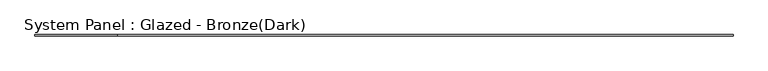
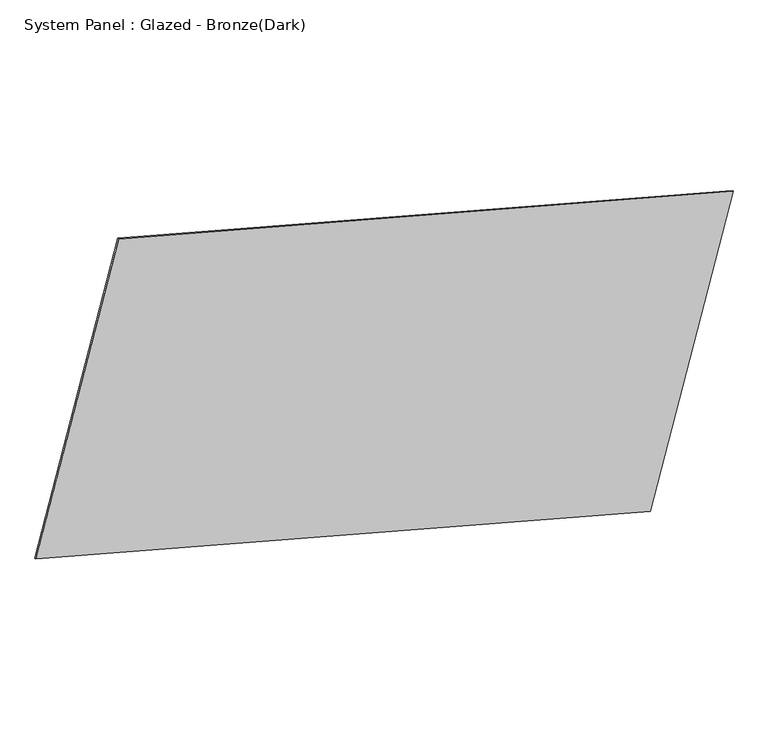
"""IFC4 building model written with IfcOpenShell, lengths in millimetres: plate geometry, System Panel : Glazed - Bronze(Dark)."""

from ifc_helpers import new_model, si_unit, frame, origin, place, context, project, spatial, polyline, outline, extrude, source, transform, mapped, element, save


def system_panel_glazed_bronze_dark_afdbd082(model_context):
    return source(origin(), model_context, "Body", "SweptSolid", [
        extrude(outline(polyline([(0.0, -12103.978899), (0.0, 0.0), (25.4, 0.0), (25.4, -12103.978899), (0.0, -12103.978899)])), frame((-6634.6533592, 19.05, 3132.7402606), z_axis=(0.25881904510252063, 0.0, 0.9659258262890683), x_axis=(0.0, 1.0, 0.0)), (0.0, 0.0, 1.0), 6096.0),
    ])


if __name__ == "__main__":
    model = new_model("IFC4")
    model_context = context("Model", 3, world=origin())
    ifc_project = project(units=[si_unit("LENGTHUNIT", "METRE", prefix="MILLI")], contexts=[model_context])
    site = spatial("IfcSite", under=ifc_project)
    building = spatial("IfcBuilding", under=site)
    placement = place(None, origin())
    system_panel_glazed_bronze_dark_shape = system_panel_glazed_bronze_dark_afdbd082(model_context)
    element("IfcPlate", 1, ObjectType="System Panel : Glazed - Bronze(Dark)", at=placement, inside=building, context=model_context, shape_type="MappedRepresentation", body=[
        mapped(system_panel_glazed_bronze_dark_shape, transform((0.0, 0.0, 0.0), x_axis=(1.0, 0.0, 0.0), y_axis=(0.0, 1.0, 0.0), z_axis=(0.0, 0.0, 1.0))),
    ])
    save(model, "model.ifc")
